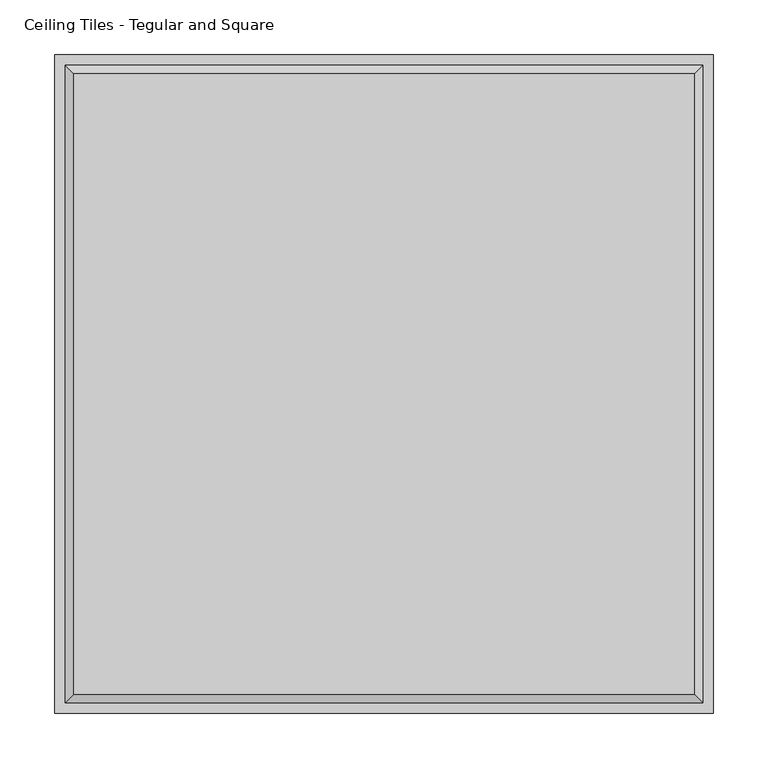
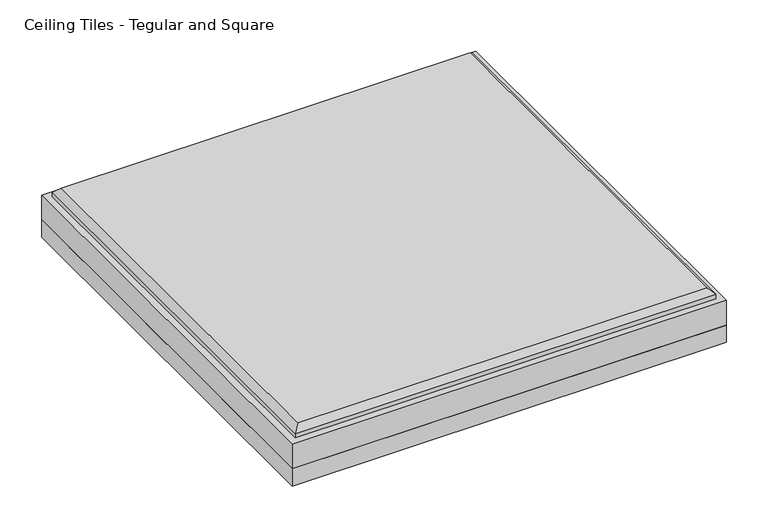
"""IFC4 building model written with IfcOpenShell, lengths in millimetres: proxy geometry, Ceiling Tiles - Tegular and Square."""

import ifcopenshell
import ifcopenshell.guid

model = None  # the IFC model being written
_history = None  # IfcOwnerHistory: only IFC2X3 demands one
_inside = {}  # id of a spatial element -> (the spatial element, [elements in it])
_under = {}  # id of a project, library or spatial element -> (it, [spatial elements below it])
_declared = {}  # id of a project -> (the project, [libraries it declares])
_typed = {}  # id of a type object -> (the type object, [elements of that type])
_made_of = {}  # id of a material, layer set ... -> (it, [elements and type objects made of it])


def new_model(schema):
    """Start an empty IFC model of exactly this schema.

    Asked for "IFC4X3", IfcOpenShell would pick the latest addendum, in which some entities
    have other attributes; the version numbers below select the first issue.
    IFC2X3 requires an IfcOwnerHistory on every rooted entity: one is made here for all.
    """
    global model, _history
    if schema == "IFC4X3":
        model = ifcopenshell.file(schema_version=(4, 3, 0, 0))
    else:
        model = ifcopenshell.file(schema=schema)
    _inside.clear()
    _under.clear()
    _declared.clear()
    _typed.clear()
    _made_of.clear()
    _history = None
    if model.schema == "IFC2X3":
        org = make("IfcOrganization", Name="unknown")
        user = make(
            "IfcPersonAndOrganization",
            ThePerson=make("IfcPerson", FamilyName="unknown"),
            TheOrganization=org,
        )
        app = make(
            "IfcApplication",
            ApplicationDeveloper=org,
            Version="unknown",
            ApplicationFullName="unknown",
            ApplicationIdentifier="unknown",
        )
        _history = make(
            "IfcOwnerHistory",
            OwningUser=user,
            OwningApplication=app,
            ChangeAction="ADDED",
            CreationDate=0,
        )
    return model


def make(cls, **values):
    """One entity of the class cls with the attributes given. An attribute that is None is left unset."""
    return model.create_entity(
        cls, **{name: value for name, value in values.items() if value is not None}
    )


def rooted(cls, **values):
    """An entity with a GlobalId (a new one), such as an element, a storey or a relation."""
    return make(cls, GlobalId=ifcopenshell.guid.new(), OwnerHistory=_history, **values)


def si_unit(unit_type, name, prefix=None):
    """IfcSIUnit, for example si_unit("LENGTHUNIT", "METRE", prefix="MILLI")."""
    return make("IfcSIUnit", UnitType=unit_type, Prefix=prefix, Name=name)


def assignment(units):
    """IfcUnitAssignment: the units of a project."""
    return None if units is None else make("IfcUnitAssignment", Units=units)


def point(xyz):
    """IfcCartesianPoint."""
    return None if xyz is None else make("IfcCartesianPoint", Coordinates=xyz)


def direction(xyz):
    """IfcDirection."""
    return None if xyz is None else make("IfcDirection", DirectionRatios=xyz)


def frame(location, z_axis=None, x_axis=None):
    """IfcAxis2Placement3D, a coordinate frame: its origin and axes. An axis left out is left unset."""
    return make(
        "IfcAxis2Placement3D",
        Location=point(location),
        Axis=direction(z_axis),
        RefDirection=direction(x_axis),
    )


def origin():
    """The frame at (0, 0, 0) with its axes left unset."""
    return frame((0.0, 0.0, 0.0))


def origin_with_axes():
    """The frame at (0, 0, 0) with the z axis (0, 0, 1) and the x axis (1, 0, 0) written out."""
    return frame((0.0, 0.0, 0.0), z_axis=(0.0, 0.0, 1.0), x_axis=(1.0, 0.0, 0.0))


def place(relative_to, where):
    """IfcLocalPlacement: puts the frame where relative to a parent placement (None: the world)."""
    return make(
        "IfcLocalPlacement", PlacementRelTo=relative_to, RelativePlacement=where
    )


def context(
    kind, dimensions, precision=None, world=None, true_north=None, identifier=None
):
    """IfcGeometricRepresentationContext, for example the 3D "Model" context."""
    return make(
        "IfcGeometricRepresentationContext",
        ContextIdentifier=identifier,
        ContextType=kind,
        CoordinateSpaceDimension=dimensions,
        Precision=precision,
        WorldCoordinateSystem=world,
        TrueNorth=true_north,
    )


def project(units=None, contexts=None):
    """IfcProject with its units and contexts."""
    return rooted(
        "IfcProject",
        Name="project",
        RepresentationContexts=contexts,
        UnitsInContext=assignment(units),
    )


def spatial(cls, under=None, at=None, **own):
    """A site, building, storey or space (cls), placed at a placement, below another one or the project."""
    s = rooted(cls, ObjectPlacement=at, **own)
    if under is not None:
        _under.setdefault(under.id(), (under, []))[1].append(s)
    return s


def polyline(points):
    """IfcPolyline through the points."""
    return make("IfcPolyline", Points=[point(p) for p in points])


def outline(outer, holes=None, kind="AREA"):
    """IfcArbitraryClosedProfileDef: a profile drawn as a closed curve; with holes, ...WithVoids."""
    if holes is None:
        return make("IfcArbitraryClosedProfileDef", ProfileType=kind, OuterCurve=outer)
    return make(
        "IfcArbitraryProfileDefWithVoids",
        ProfileType=kind,
        OuterCurve=outer,
        InnerCurves=holes,
    )


def extrude(swept, where, along, depth):
    """IfcExtrudedAreaSolid: the profile swept, set in the frame where, extruded along a direction by depth."""
    return make(
        "IfcExtrudedAreaSolid",
        SweptArea=swept,
        Position=where,
        ExtrudedDirection=direction(along),
        Depth=depth,
    )


def faces_of(points, faces, orient=None, outer=None):
    """IfcFace entities. A face is a list of loops; a loop is a list of indices into points, from 0.

    orient and outer hold one flag for each loop. By default every Orientation is true, the
    first loop of a face is its IfcFaceOuterBound and the others are IfcFaceBound.
    """
    made = []
    for i, loops in enumerate(faces):
        bounds = []
        for j, loop in enumerate(loops):
            is_outer = j == 0 if outer is None else outer[i][j]
            bounds.append(
                make(
                    "IfcFaceOuterBound" if is_outer else "IfcFaceBound",
                    Bound=make("IfcPolyLoop", Polygon=[points[k] for k in loop]),
                    Orientation=True if orient is None else orient[i][j],
                )
            )
        made.append(make("IfcFace", Bounds=bounds))
    return made


def faceted_brep(points, faces, orient=None, outer=None, voids=None):
    """IfcFacetedBrep: a solid bounded by flat faces; with voids (closed shells), ...WithVoids."""
    shared = [point(p) for p in points]
    hull = make("IfcClosedShell", CfsFaces=faces_of(shared, faces, orient, outer))
    if voids is None:
        return make("IfcFacetedBrep", Outer=hull)
    return make(
        "IfcFacetedBrepWithVoids",
        Outer=hull,
        Voids=[
            make(cls, CfsFaces=faces_of(shared, fs, o, b)) for cls, fs, o, b in voids
        ],
    )


def shape(context_of_items, identifier, shape_type, items):
    """IfcShapeRepresentation: the items that make up one representation, for example the "Body"."""
    return make(
        "IfcShapeRepresentation",
        ContextOfItems=context_of_items,
        RepresentationIdentifier=identifier,
        RepresentationType=shape_type,
        Items=items,
    )


def source(mapping_origin, context_of_items, identifier, shape_type, items):
    """IfcRepresentationMap: a shape defined once, which mapped items show again and again."""
    return make(
        "IfcRepresentationMap",
        MappingOrigin=mapping_origin,
        MappedRepresentation=shape(context_of_items, identifier, shape_type, items),
    )


def transform(
    local_origin,
    x_axis=None,
    y_axis=None,
    z_axis=None,
    scale=None,
    scale2=None,
    scale3=None,
    uniform=True,
):
    """IfcCartesianTransformationOperator3D, or its non-uniform kind. x_axis, y_axis, z_axis: its Axis1, 2, 3."""
    if uniform:
        return make(
            "IfcCartesianTransformationOperator3D",
            Axis1=direction(x_axis),
            Axis2=direction(y_axis),
            LocalOrigin=point(local_origin),
            Scale=scale,
            Axis3=direction(z_axis),
        )
    return make(
        "IfcCartesianTransformationOperator3DnonUniform",
        Axis1=direction(x_axis),
        Axis2=direction(y_axis),
        LocalOrigin=point(local_origin),
        Scale=scale,
        Axis3=direction(z_axis),
        Scale2=scale2,
        Scale3=scale3,
    )


def mapped(mapping_source, mapping_target):
    """IfcMappedItem: shows the shape of a source again, moved by a transform."""
    return make(
        "IfcMappedItem", MappingSource=mapping_source, MappingTarget=mapping_target
    )


def made_of(thing, what):
    """Note that an element or type object is made of a material, layer set ...; save() writes the relation."""
    if what is not None:
        _made_of.setdefault(what.id(), (what, []))[1].append(thing)
    return thing


def element(
    cls,
    number,
    at=None,
    inside=None,
    cuts=None,
    type_object=None,
    material=None,
    context=None,
    identifier="Body",
    shape_type=None,
    held_by="IfcProductDefinitionShape",
    body=None,
    shapes=None,
    **own,
):
    """One element of the class cls, such as IfcWall. Its Tag is "e" and its number.

    at: its placement. inside: the storey or other place that contains it. cuts: it is an
    opening in that element (IfcRelVoidsElement). A single representation is given by context,
    identifier, shape_type and body (its items); several are given by shapes. held_by: the class
    of the entity that holds the representations. save() writes the other relations.
    """
    e = rooted(cls, Tag="e%d" % number, ObjectPlacement=at, **own)
    if body is not None:
        shapes = [shape(context, identifier, shape_type, body)]
    if shapes is not None:
        e.Representation = make(held_by, Representations=shapes)
    if inside is not None:
        _inside.setdefault(inside.id(), (inside, []))[1].append(e)
    if cuts is not None:
        rooted(
            "IfcRelVoidsElement", RelatingBuildingElement=cuts, RelatedOpeningElement=e
        )
    if type_object is not None:
        _typed.setdefault(type_object.id(), (type_object, []))[1].append(e)
    return made_of(e, material)


def aggregate(whole, parts):
    """IfcRelAggregates: a whole, such as a stair, and the parts it consists of."""
    return rooted("IfcRelAggregates", RelatingObject=whole, RelatedObjects=parts)


def save(model, path):
    """Write the relations noted so far, then the file.

    IfcRelAggregates (storeys below a building ...), IfcRelContainedInSpatialStructure (elements
    in a storey), IfcRelDefinesByType, IfcRelAssociatesMaterial and IfcRelDeclares: one each for
    every whole, place, type object, material and project.
    """
    for whole, parts in _under.values():
        aggregate(whole, parts)
    for where, things in _inside.values():
        rooted(
            "IfcRelContainedInSpatialStructure",
            RelatedElements=things,
            RelatingStructure=where,
        )
    for kind, things in _typed.values():
        rooted("IfcRelDefinesByType", RelatedObjects=things, RelatingType=kind)
    for what, things in _made_of.values():
        rooted("IfcRelAssociatesMaterial", RelatedObjects=things, RelatingMaterial=what)
    for by, libraries in _declared.values():
        rooted("IfcRelDeclares", RelatingContext=by, RelatedDefinitions=libraries)
    model.write(path)


def ceiling_tiles_tegular_and_square_2ee084c5(model_context):
    return source(origin(), model_context, "Body", "SolidModel", [
        extrude(outline(polyline([(301.625, 301.625), (301.625, -301.625), (-301.625, -301.625), (-301.625, 301.625), (301.625, 301.625)])), origin_with_axes(), (0.0, 0.0, 1.0), 25.4),
        faceted_brep([(284.099, 284.099, 76.2), (-284.099, 284.099, 76.2), (-284.099, -284.099, 76.2), (284.099, -284.099, 76.2), (-301.625, 301.625, 25.4), (301.625, 301.625, 25.4), (301.625, -301.625, 25.4), (-301.625, -301.625, 25.4), (-301.625, -301.625, 61.9125), (-301.625, 301.625, 61.9125), (301.625, -301.625, 61.9125), (301.625, 301.625, 61.9125), (292.1, 292.1, 68.199), (-292.1, 292.1, 68.199), (-292.1, -292.1, 68.199), (292.1, -292.1, 68.199), (292.1, 292.1, 61.9125), (-292.1, 292.1, 61.9125), (-292.1, -292.1, 61.9125), (292.1, -292.1, 61.9125)], [[[0, 1, 2, 3]], [[4, 5, 6, 7]], [[4, 7, 8, 9]], [[7, 6, 10, 8]], [[6, 5, 11, 10]], [[5, 4, 9, 11]], [[12, 13, 1, 0]], [[1, 13, 14, 2]], [[2, 14, 15, 3]], [[12, 0, 3, 15]], [[16, 17, 13, 12]], [[13, 17, 18, 14]], [[14, 18, 19, 15]], [[16, 12, 15, 19]], [[9, 8, 10, 11], [17, 16, 19, 18]]]),
    ])


if __name__ == "__main__":
    model = new_model("IFC4")
    model_context = context("Model", 3, world=origin())
    ifc_project = project(units=[si_unit("LENGTHUNIT", "METRE", prefix="MILLI")], contexts=[model_context])
    site = spatial("IfcSite", under=ifc_project)
    building = spatial("IfcBuilding", under=site)
    placement = place(None, origin())
    ceiling_tiles_tegular_and_square_shape = ceiling_tiles_tegular_and_square_2ee084c5(model_context)
    element("IfcBuildingElementProxy", 1, Name="Ceiling Tiles - Tegular and Square", ObjectType="Ceiling Tiles - Tegular and Square", at=placement, inside=building, context=model_context, shape_type="MappedRepresentation", body=[
        mapped(ceiling_tiles_tegular_and_square_shape, transform((0.0, 0.0, 0.0), x_axis=(1.0, 0.0, 0.0), y_axis=(0.0, 1.0, 0.0), z_axis=(0.0, 0.0, 1.0))),
    ])
    save(model, "model.ifc")
